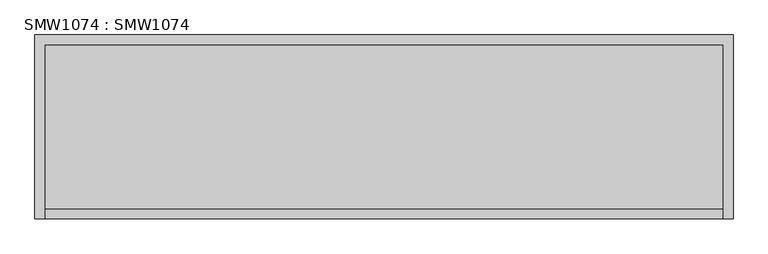
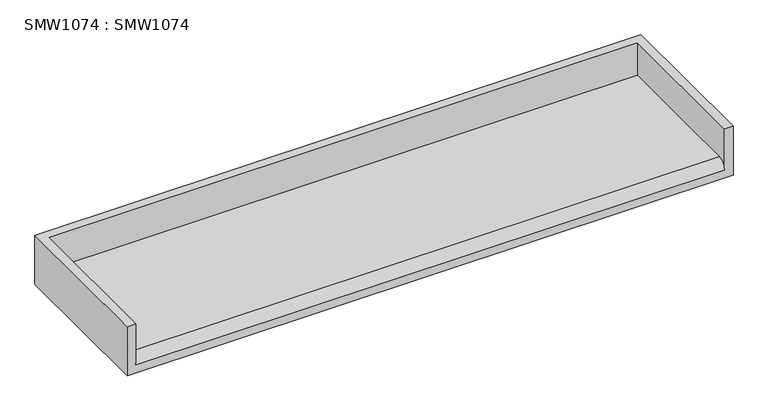
"""IFC4 building model written with IfcOpenShell, lengths in millimetres: proxy geometry, SMW1074 : SMW1074."""

from ifc_helpers import new_model, si_unit, frame, origin, place, context, project, spatial, circle_curve, source, transform, mapped, element, save
from ifc_brep_helpers import plane_surface, cylinder_surface, advanced_brep


def smw1074_smw1074_1f36ce8a(model_context):
    return source(origin(), model_context, "Body", "AdvancedBrep", [
        advanced_brep(
        [(1405.0, 0.0, 0.0), (1405.0, -370.0, 0.0), (0.0, -370.0, 0.0), (0.0, 0.0, 0.0), (20.0, 0.0, 0.0), (1385.0, 0.0, 0.0), (0.0, 0.0, 120.0), (1405.0, 0.0, 120.0), (1405.0, -370.0, 120.0), (0.0, -370.0, 120.0), (20.0, -370.0, 120.0), (20.0, -20.0, 120.0), (1385.0, -20.0, 120.0), (1385.0, -370.0, 120.0), (20.0, -20.0, 40.0), (1385.0, -20.0, 40.0), (20.0, -350.0, 40.0), (1385.0, -350.0, 40.0), (20.0, -370.0, 20.0), (1385.0, -370.0, 20.0)],
        [
            (0, 1),
            (1, 2),
            (2, 3),
            (3, 4),
            (4, 5),
            (5, 0),
            (6, 7),
            (7, 0),
            (3, 6),
            (8, 7),
            (6, 9),
            (9, 10),
            (10, 11),
            (11, 12),
            (12, 13),
            (13, 8),
            (11, 14),
            (14, 15),
            (15, 12),
            (14, 16),
            (16, 17),
            (17, 15),
            (16, 18, circle_curve(frame((20.0, -350.0, 20.0), z_axis=(1.0, 0.0, 0.0), x_axis=(0.0, 1.0, 0.0)), 20.0)),
            (18, 19),
            (19, 17, circle_curve(frame((1385.0, -350.0, 20.0), z_axis=(-1.0, 0.0, 0.0), x_axis=(0.0, 1.0, 0.0)), 20.0)),
            (1, 8),
            (13, 19),
            (18, 10),
            (9, 2),
        ],
        [
            plane_surface(frame((1405.0, -370.0, 0.0), z_axis=(0.0, 0.0, -1.0), x_axis=(-1.0, 0.0, 0.0))),
            plane_surface(frame((1405.0, 0.0, 0.0), z_axis=(0.0, 1.0, 0.0), x_axis=(-1.0, 0.0, 0.0))),
            plane_surface(frame((1405.0, 0.0, 120.0), z_axis=(0.0, 0.0, 1.0), x_axis=(-1.0, 0.0, 0.0))),
            plane_surface(frame((1405.0, -20.0, 120.0), z_axis=(0.0, -1.0, 0.0), x_axis=(-1.0, 0.0, 0.0))),
            plane_surface(frame((1405.0, -20.0, 40.0), z_axis=(0.0, 0.0, 1.0), x_axis=(-1.0, 0.0, 0.0))),
            cylinder_surface(frame((0.0, -350.0, 20.0), z_axis=(1.0, 0.0, 0.0), x_axis=(0.0, 1.0, 0.0)), 20.0),
            plane_surface(frame((1405.0, -370.0, 20.0), z_axis=(0.0, -1.0, 0.0), x_axis=(-1.0, 0.0, 0.0))),
            plane_surface(frame((20.0, -370.0, 0.0), z_axis=(1.0, 0.0, 0.0), x_axis=(0.0, 1.0, 0.0))),
            plane_surface(frame((1405.0, 0.0, 0.0), z_axis=(1.0, 0.0, 0.0), x_axis=(0.0, 1.0, 0.0))),
            plane_surface(frame((0.0, 0.0, 0.0), z_axis=(-1.0, 0.0, 0.0), x_axis=(0.0, -1.0, 0.0))),
            plane_surface(frame((1385.0, -370.0, 120.0), z_axis=(-1.0, 0.0, 0.0), x_axis=(0.0, 1.0, 0.0))),
        ],
        [
            (0, [[1, 2, 3, 4, 5, 6]]),
            (1, [[7, 8, -6, -5, -4, 9]]),
            (2, [[10, -7, 11, 12, 13, 14, 15, 16]]),
            (3, [[17, 18, 19, -14]]),
            (4, [[20, 21, 22, -18]]),
            (5, [[23, 24, 25, -21]]),
            (6, [[26, -16, 27, -24, 28, -12, 29, -2]]),
            (7, [[-13, -28, -23, -20, -17]]),
            (8, [[-1, -8, -10, -26]]),
            (9, [[-9, -3, -29, -11]]),
            (10, [[-15, -19, -22, -25, -27]]),
        ],
    ),
    ])


if __name__ == "__main__":
    model = new_model("IFC4")
    model_context = context("Model", 3, world=origin())
    ifc_project = project(units=[si_unit("LENGTHUNIT", "METRE", prefix="MILLI")], contexts=[model_context])
    site = spatial("IfcSite", under=ifc_project)
    building = spatial("IfcBuilding", under=site)
    placement = place(None, origin())
    smw1074_smw1074_shape = smw1074_smw1074_1f36ce8a(model_context)
    element("IfcBuildingElementProxy", 1, Name="SMW1074 : SMW1074", ObjectType="SMW1074 : SMW1074", at=placement, inside=building, context=model_context, shape_type="MappedRepresentation", body=[
        mapped(smw1074_smw1074_shape, transform((0.0, 0.0, 0.0), x_axis=(1.0, 0.0, 0.0), y_axis=(0.0, 1.0, 0.0), z_axis=(0.0, 0.0, 1.0))),
    ])
    save(model, "model.ifc")
